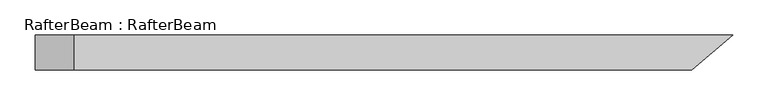
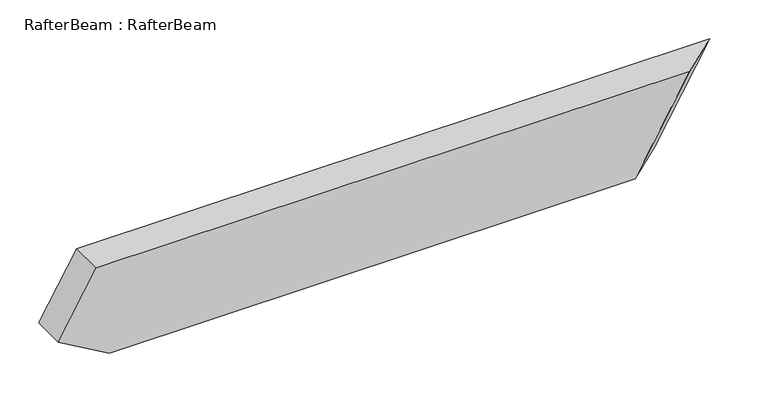
"""IFC4 building model written with IfcOpenShell, lengths in millimetres: beam geometry, RafterBeam : RafterBeam."""

from ifc_helpers import new_model, si_unit, origin, place, context, project, spatial, faceted_brep, source, transform, mapped, element, save


def rafterbeam_rafterbeam_2d2f9751(model_context):
    return source(origin(), model_context, "Body", "Brep", [
        faceted_brep([(462.6484282, 25.0, 70.0), (-474.3388264, 25.0, 70.0), (-474.3388264, -25.0, 70.0), (404.3795666, -25.0, 70.0), (323.5505289, -25.0, -70.0), (-455.1678641, -25.0, -70.0), (-455.1678641, 25.0, -70.0), (381.8193905, 25.0, -70.0), (-530.1678641, -25.0, -26.6987298), (-530.1678641, 25.0, -26.6987298)], [[[0, 1, 2, 3]], [[4, 5, 6, 7]], [[3, 2, 8, 5, 4]], [[7, 6, 9, 1, 0]], [[0, 3, 4, 7]], [[1, 9, 8, 2]], [[5, 8, 9, 6]]]),
    ])


if __name__ == "__main__":
    model = new_model("IFC4")
    model_context = context("Model", 3, world=origin())
    ifc_project = project(units=[si_unit("LENGTHUNIT", "METRE", prefix="MILLI")], contexts=[model_context])
    site = spatial("IfcSite", under=ifc_project)
    building = spatial("IfcBuilding", under=site)
    placement = place(None, origin())
    rafterbeam_rafterbeam_shape = rafterbeam_rafterbeam_2d2f9751(model_context)
    element("IfcBeam", 1, ObjectType="RafterBeam : RafterBeam", at=placement, inside=building, context=model_context, shape_type="MappedRepresentation", body=[
        mapped(rafterbeam_rafterbeam_shape, transform((0.0, 0.0, 0.0), x_axis=(1.0, 0.0, 0.0), y_axis=(0.0, 1.0, 0.0), z_axis=(0.0, 0.0, 1.0))),
    ])
    save(model, "model.ifc")
